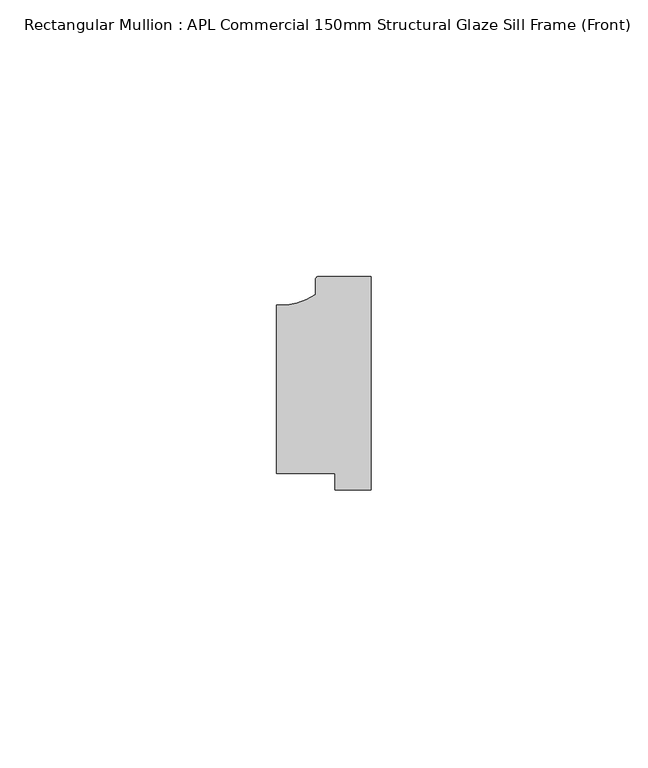
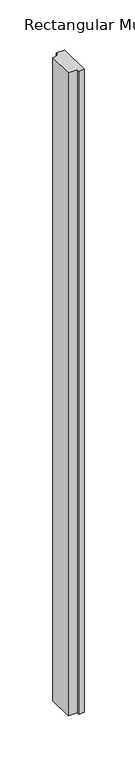
"""IFC4 building model written with IfcOpenShell, lengths in millimetres: member geometry, Rectangular Mullion : APL Commercial 150mm Structural Glaze Sill Frame (Front)."""

import ifcopenshell
import ifcopenshell.guid

model = None  # the IFC model being written
_history = None  # IfcOwnerHistory: only IFC2X3 demands one
_inside = {}  # id of a spatial element -> (the spatial element, [elements in it])
_under = {}  # id of a project, library or spatial element -> (it, [spatial elements below it])
_declared = {}  # id of a project -> (the project, [libraries it declares])
_typed = {}  # id of a type object -> (the type object, [elements of that type])
_made_of = {}  # id of a material, layer set ... -> (it, [elements and type objects made of it])


def new_model(schema):
    """Start an empty IFC model of exactly this schema.

    Asked for "IFC4X3", IfcOpenShell would pick the latest addendum, in which some entities
    have other attributes; the version numbers below select the first issue.
    IFC2X3 requires an IfcOwnerHistory on every rooted entity: one is made here for all.
    """
    global model, _history
    if schema == "IFC4X3":
        model = ifcopenshell.file(schema_version=(4, 3, 0, 0))
    else:
        model = ifcopenshell.file(schema=schema)
    _inside.clear()
    _under.clear()
    _declared.clear()
    _typed.clear()
    _made_of.clear()
    _history = None
    if model.schema == "IFC2X3":
        org = make("IfcOrganization", Name="unknown")
        user = make(
            "IfcPersonAndOrganization",
            ThePerson=make("IfcPerson", FamilyName="unknown"),
            TheOrganization=org,
        )
        app = make(
            "IfcApplication",
            ApplicationDeveloper=org,
            Version="unknown",
            ApplicationFullName="unknown",
            ApplicationIdentifier="unknown",
        )
        _history = make(
            "IfcOwnerHistory",
            OwningUser=user,
            OwningApplication=app,
            ChangeAction="ADDED",
            CreationDate=0,
        )
    return model


def make(cls, **values):
    """One entity of the class cls with the attributes given. An attribute that is None is left unset."""
    return model.create_entity(
        cls, **{name: value for name, value in values.items() if value is not None}
    )


def rooted(cls, **values):
    """An entity with a GlobalId (a new one), such as an element, a storey or a relation."""
    return make(cls, GlobalId=ifcopenshell.guid.new(), OwnerHistory=_history, **values)


def si_unit(unit_type, name, prefix=None):
    """IfcSIUnit, for example si_unit("LENGTHUNIT", "METRE", prefix="MILLI")."""
    return make("IfcSIUnit", UnitType=unit_type, Prefix=prefix, Name=name)


def assignment(units):
    """IfcUnitAssignment: the units of a project."""
    return None if units is None else make("IfcUnitAssignment", Units=units)


def point(xyz):
    """IfcCartesianPoint."""
    return None if xyz is None else make("IfcCartesianPoint", Coordinates=xyz)


def direction(xyz):
    """IfcDirection."""
    return None if xyz is None else make("IfcDirection", DirectionRatios=xyz)


def frame(location, z_axis=None, x_axis=None):
    """IfcAxis2Placement3D, a coordinate frame: its origin and axes. An axis left out is left unset."""
    return make(
        "IfcAxis2Placement3D",
        Location=point(location),
        Axis=direction(z_axis),
        RefDirection=direction(x_axis),
    )


def frame_2d(location, x_axis=None):
    """IfcAxis2Placement2D, a coordinate frame in the plane: its origin and x axis."""
    return make(
        "IfcAxis2Placement2D", Location=point(location), RefDirection=direction(x_axis)
    )


def origin():
    """The frame at (0, 0, 0) with its axes left unset."""
    return frame((0.0, 0.0, 0.0))


def place(relative_to, where):
    """IfcLocalPlacement: puts the frame where relative to a parent placement (None: the world)."""
    return make(
        "IfcLocalPlacement", PlacementRelTo=relative_to, RelativePlacement=where
    )


def context(
    kind, dimensions, precision=None, world=None, true_north=None, identifier=None
):
    """IfcGeometricRepresentationContext, for example the 3D "Model" context."""
    return make(
        "IfcGeometricRepresentationContext",
        ContextIdentifier=identifier,
        ContextType=kind,
        CoordinateSpaceDimension=dimensions,
        Precision=precision,
        WorldCoordinateSystem=world,
        TrueNorth=true_north,
    )


def project(units=None, contexts=None):
    """IfcProject with its units and contexts."""
    return rooted(
        "IfcProject",
        Name="project",
        RepresentationContexts=contexts,
        UnitsInContext=assignment(units),
    )


def spatial(cls, under=None, at=None, **own):
    """A site, building, storey or space (cls), placed at a placement, below another one or the project."""
    s = rooted(cls, ObjectPlacement=at, **own)
    if under is not None:
        _under.setdefault(under.id(), (under, []))[1].append(s)
    return s


def polyline(points):
    """IfcPolyline through the points."""
    return make("IfcPolyline", Points=[point(p) for p in points])


def circle_curve(where, radius):
    """IfcCircle in the frame where."""
    return make("IfcCircle", Position=where, Radius=radius)


def trimmed(basis, trim1, trim2, sense, master):
    """IfcTrimmedCurve: the piece of a basis curve between two trims."""
    return make(
        "IfcTrimmedCurve",
        BasisCurve=basis,
        Trim1=trim1,
        Trim2=trim2,
        SenseAgreement=sense,
        MasterRepresentation=master,
    )


def segment(curve, same_sense, transition):
    """IfcCompositeCurveSegment."""
    return make(
        "IfcCompositeCurveSegment",
        Transition=transition,
        SameSense=same_sense,
        ParentCurve=curve,
    )


def composite_curve(segments, self_intersect=None):
    """IfcCompositeCurve: segments joined end to end."""
    return make("IfcCompositeCurve", Segments=segments, SelfIntersect=self_intersect)


def outline(outer, holes=None, kind="AREA"):
    """IfcArbitraryClosedProfileDef: a profile drawn as a closed curve; with holes, ...WithVoids."""
    if holes is None:
        return make("IfcArbitraryClosedProfileDef", ProfileType=kind, OuterCurve=outer)
    return make(
        "IfcArbitraryProfileDefWithVoids",
        ProfileType=kind,
        OuterCurve=outer,
        InnerCurves=holes,
    )


def extrude(swept, where, along, depth):
    """IfcExtrudedAreaSolid: the profile swept, set in the frame where, extruded along a direction by depth."""
    return make(
        "IfcExtrudedAreaSolid",
        SweptArea=swept,
        Position=where,
        ExtrudedDirection=direction(along),
        Depth=depth,
    )


def shape(context_of_items, identifier, shape_type, items):
    """IfcShapeRepresentation: the items that make up one representation, for example the "Body"."""
    return make(
        "IfcShapeRepresentation",
        ContextOfItems=context_of_items,
        RepresentationIdentifier=identifier,
        RepresentationType=shape_type,
        Items=items,
    )


def source(mapping_origin, context_of_items, identifier, shape_type, items):
    """IfcRepresentationMap: a shape defined once, which mapped items show again and again."""
    return make(
        "IfcRepresentationMap",
        MappingOrigin=mapping_origin,
        MappedRepresentation=shape(context_of_items, identifier, shape_type, items),
    )


def transform(
    local_origin,
    x_axis=None,
    y_axis=None,
    z_axis=None,
    scale=None,
    scale2=None,
    scale3=None,
    uniform=True,
):
    """IfcCartesianTransformationOperator3D, or its non-uniform kind. x_axis, y_axis, z_axis: its Axis1, 2, 3."""
    if uniform:
        return make(
            "IfcCartesianTransformationOperator3D",
            Axis1=direction(x_axis),
            Axis2=direction(y_axis),
            LocalOrigin=point(local_origin),
            Scale=scale,
            Axis3=direction(z_axis),
        )
    return make(
        "IfcCartesianTransformationOperator3DnonUniform",
        Axis1=direction(x_axis),
        Axis2=direction(y_axis),
        LocalOrigin=point(local_origin),
        Scale=scale,
        Axis3=direction(z_axis),
        Scale2=scale2,
        Scale3=scale3,
    )


def mapped(mapping_source, mapping_target):
    """IfcMappedItem: shows the shape of a source again, moved by a transform."""
    return make(
        "IfcMappedItem", MappingSource=mapping_source, MappingTarget=mapping_target
    )


def made_of(thing, what):
    """Note that an element or type object is made of a material, layer set ...; save() writes the relation."""
    if what is not None:
        _made_of.setdefault(what.id(), (what, []))[1].append(thing)
    return thing


def element(
    cls,
    number,
    at=None,
    inside=None,
    cuts=None,
    type_object=None,
    material=None,
    context=None,
    identifier="Body",
    shape_type=None,
    held_by="IfcProductDefinitionShape",
    body=None,
    shapes=None,
    **own,
):
    """One element of the class cls, such as IfcWall. Its Tag is "e" and its number.

    at: its placement. inside: the storey or other place that contains it. cuts: it is an
    opening in that element (IfcRelVoidsElement). A single representation is given by context,
    identifier, shape_type and body (its items); several are given by shapes. held_by: the class
    of the entity that holds the representations. save() writes the other relations.
    """
    e = rooted(cls, Tag="e%d" % number, ObjectPlacement=at, **own)
    if body is not None:
        shapes = [shape(context, identifier, shape_type, body)]
    if shapes is not None:
        e.Representation = make(held_by, Representations=shapes)
    if inside is not None:
        _inside.setdefault(inside.id(), (inside, []))[1].append(e)
    if cuts is not None:
        rooted(
            "IfcRelVoidsElement", RelatingBuildingElement=cuts, RelatedOpeningElement=e
        )
    if type_object is not None:
        _typed.setdefault(type_object.id(), (type_object, []))[1].append(e)
    return made_of(e, material)


def aggregate(whole, parts):
    """IfcRelAggregates: a whole, such as a stair, and the parts it consists of."""
    return rooted("IfcRelAggregates", RelatingObject=whole, RelatedObjects=parts)


def save(model, path):
    """Write the relations noted so far, then the file.

    IfcRelAggregates (storeys below a building ...), IfcRelContainedInSpatialStructure (elements
    in a storey), IfcRelDefinesByType, IfcRelAssociatesMaterial and IfcRelDeclares: one each for
    every whole, place, type object, material and project.
    """
    for whole, parts in _under.values():
        aggregate(whole, parts)
    for where, things in _inside.values():
        rooted(
            "IfcRelContainedInSpatialStructure",
            RelatedElements=things,
            RelatingStructure=where,
        )
    for kind, things in _typed.values():
        rooted("IfcRelDefinesByType", RelatedObjects=things, RelatingType=kind)
    for what, things in _made_of.values():
        rooted("IfcRelAssociatesMaterial", RelatedObjects=things, RelatingMaterial=what)
    for by, libraries in _declared.values():
        rooted("IfcRelDeclares", RelatingContext=by, RelatedDefinitions=libraries)
    model.write(path)


def rectangular_mullion_apl_commercial_150mm_structural_glaze_e9cf7db8(model_context):
    return source(origin(), model_context, "Body", "SweptSolid", [
        extrude(outline(composite_curve([segment(trimmed(circle_curve(frame_2d((-16.1098048, 25.7977481)), 10.4563907), [point((-16.999942, 15.3793144))], [point((-10.0, 17.3120901))], True, "CARTESIAN"), True, "CONTINUOUS"), segment(polyline([(-10.0, 17.3120901), (-10.0, 19.9980675)]), True, "CONTINUOUS"), segment(trimmed(circle_curve(frame_2d((-9.5000029, 19.99978)), 0.5), [point((-10.0, 19.9980675))], [point((-9.5000029, 20.49978))], False, "CARTESIAN"), True, "CONTINUOUS"), segment(polyline([(-9.5000029, 20.49978), (0.0, 20.49978), (0.0, -18.0281616), (-6.5000029, -18.0281616), (-6.5000029, -15.0004332), (-16.999942, -15.0004332), (-16.999942, 15.3793144)]), True, "CONTINUOUS")], self_intersect=False)), frame((0.0, 0.0, -782.3816345), z_axis=(0.0, 0.0, 1.0), x_axis=(1.0, 0.0, 0.0)), (0.0, 0.0, 1.0), 782.3816345),
    ])


if __name__ == "__main__":
    model = new_model("IFC4")
    model_context = context("Model", 3, world=origin())
    ifc_project = project(units=[si_unit("LENGTHUNIT", "METRE", prefix="MILLI")], contexts=[model_context])
    site = spatial("IfcSite", under=ifc_project)
    building = spatial("IfcBuilding", under=site)
    placement = place(None, origin())
    rectangular_mullion_apl_commercial_150mm_structural_glaze_shape = rectangular_mullion_apl_commercial_150mm_structural_glaze_e9cf7db8(model_context)
    element("IfcMember", 1, ObjectType="Rectangular Mullion : APL Commercial 150mm Structural Glaze Sill Frame (Front)", at=placement, inside=building, context=model_context, shape_type="MappedRepresentation", body=[
        mapped(rectangular_mullion_apl_commercial_150mm_structural_glaze_shape, transform((0.0, 0.0, 0.0), x_axis=(1.0, 0.0, 0.0), y_axis=(0.0, 1.0, 0.0), z_axis=(0.0, 0.0, 1.0))),
    ])
    save(model, "model.ifc")
